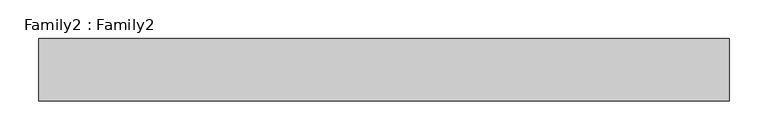
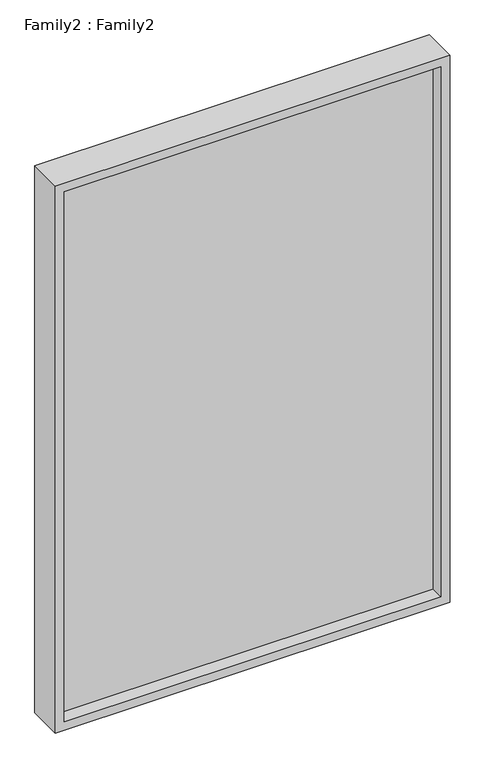
"""IFC4 building model written with IfcOpenShell, lengths in millimetres: plate geometry, Family2 : Family2."""

from ifc_helpers import new_model, si_unit, frame, origin, place, context, project, spatial, polyline, outline, extrude, source, transform, mapped, element, save


def family2_family2_763290e8(model_context):
    return source(origin(), model_context, "Body", "SweptSolid", [
        extrude(outline(polyline([(1300.0, -443.75), (0.0, -443.75), (0.0, 443.75), (1300.0, 443.75), (1300.0, -443.75)]), holes=[polyline([(20.0, -423.75), (1280.0, -423.75), (1280.0, 423.75), (20.0, 423.75), (20.0, -423.75)])]), frame((0.0, -40.0, 0.0), z_axis=(0.0, 1.0, 0.0), x_axis=(0.0, 0.0, 1.0)), (0.0, 0.0, 1.0), 80.0),
        extrude(outline(polyline([(423.75, -10.0), (-423.75, -10.0), (-423.75, 10.0), (423.75, 10.0), (423.75, -10.0)])), frame((0.0, 0.0, 20.0), z_axis=(0.0, 0.0, 1.0), x_axis=(1.0, 0.0, 0.0)), (0.0, 0.0, 1.0), 1260.0),
    ])


if __name__ == "__main__":
    model = new_model("IFC4")
    model_context = context("Model", 3, world=origin())
    ifc_project = project(units=[si_unit("LENGTHUNIT", "METRE", prefix="MILLI")], contexts=[model_context])
    site = spatial("IfcSite", under=ifc_project)
    building = spatial("IfcBuilding", under=site)
    placement = place(None, origin())
    family2_family2_shape = family2_family2_763290e8(model_context)
    element("IfcPlate", 1, ObjectType="Family2 : Family2", at=placement, inside=building, context=model_context, shape_type="MappedRepresentation", body=[
        mapped(family2_family2_shape, transform((0.0, 0.0, 0.0), x_axis=(1.0, 0.0, 0.0), y_axis=(0.0, 1.0, 0.0), z_axis=(0.0, 0.0, 1.0))),
    ])
    save(model, "model.ifc")
